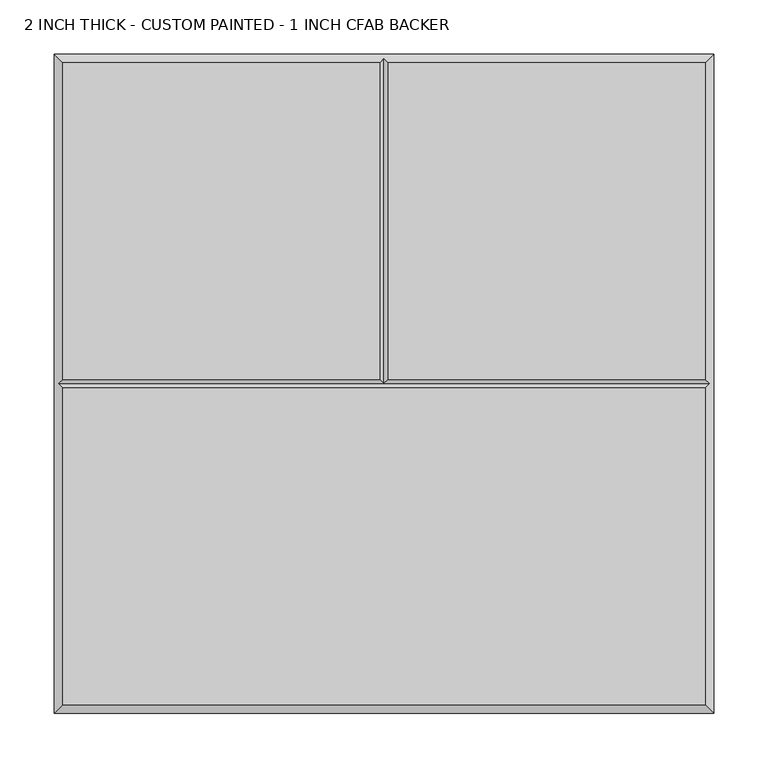
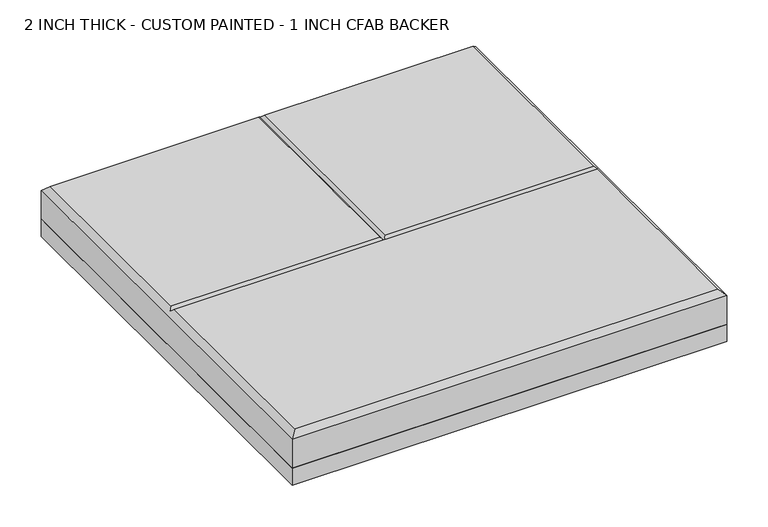
"""IFC4 building model written with IfcOpenShell, lengths in millimetres: proxy geometry, 2 INCH THICK - CUSTOM PAINTED - 1 INCH CFAB BACKER."""

from ifc_helpers import new_model, si_unit, frame, origin, place, context, project, spatial, polyline, outline, extrude, faceted_brep, source, transform, mapped, element, save


def proxy_2_inch_thick_custom_painted_1_inch_cfab_backer_abb4b020(model_context):
    return source(origin(), model_context, "Body", "SolidModel", [
        extrude(outline(polyline([(-304.8, 304.8), (304.8, 304.8), (304.8, -304.8), (-304.8, -304.8), (-304.8, 304.8)])), frame((0.0, 0.0, -25.4), z_axis=(0.0, 0.0, 1.0), x_axis=(1.0, 0.0, 0.0)), (0.0, 0.0, 1.0), 25.4),
        faceted_brep([(-296.799, -296.799, 50.8), (296.799, -296.799, 50.8), (296.799, -4.0005127, 50.8), (-296.799, -4.0005127, 50.8), (-296.799, 296.799, 50.8), (-296.799, 4.0004873, 50.8), (-4.0005, 4.0004873, 50.8), (-4.0005, 296.799, 50.8), (296.799, 4.0004873, 50.8), (296.799, 296.799, 50.8), (4.0005, 296.799, 50.8), (4.0005, 4.0004873, 50.8), (-304.8, 304.8, 0.0), (304.8, 304.8, 0.0), (304.8, -304.8, 0.0), (-304.8, -304.8, 0.0), (-304.8, -304.8, 42.799), (-304.8, 304.8, 42.799), (304.8, -304.8, 42.799), (304.8, 304.8, 42.799), (0.0, 300.7995, 46.7995), (-300.7995, -1.27e-05, 46.7995), (300.7995, -1.27e-05, 46.7995), (0.0, -1.27e-05, 46.7995)], [[[0, 1, 2, 3]], [[4, 5, 6, 7]], [[8, 9, 10, 11]], [[12, 13, 14, 15]], [[12, 15, 16, 17]], [[15, 14, 18, 16]], [[14, 13, 19, 18]], [[13, 12, 17, 19]], [[17, 4, 7, 20, 10, 9, 19]], [[4, 17, 16, 0, 3, 21, 5]], [[0, 16, 18, 1]], [[19, 9, 8, 22, 2, 1, 18]], [[5, 21, 23, 6]], [[22, 8, 11, 23]], [[3, 2, 22, 23, 21]], [[20, 23, 11, 10]], [[23, 20, 7, 6]]]),
    ])


if __name__ == "__main__":
    model = new_model("IFC4")
    model_context = context("Model", 3, world=origin())
    ifc_project = project(units=[si_unit("LENGTHUNIT", "METRE", prefix="MILLI")], contexts=[model_context])
    site = spatial("IfcSite", under=ifc_project)
    building = spatial("IfcBuilding", under=site)
    placement = place(None, origin())
    proxy_2_inch_thick_custom_painted_1_inch_cfab_backer_shape = proxy_2_inch_thick_custom_painted_1_inch_cfab_backer_abb4b020(model_context)
    element("IfcBuildingElementProxy", 1, Name="2 INCH THICK - CUSTOM PAINTED - 1 INCH CFAB BACKER", ObjectType="2 INCH THICK - CUSTOM PAINTED - 1 INCH CFAB BACKER", at=placement, inside=building, context=model_context, shape_type="MappedRepresentation", body=[
        mapped(proxy_2_inch_thick_custom_painted_1_inch_cfab_backer_shape, transform((0.0, 0.0, 0.0), x_axis=(1.0, 0.0, 0.0), y_axis=(0.0, 1.0, 0.0), z_axis=(0.0, 0.0, 1.0))),
    ])
    save(model, "model.ifc")
